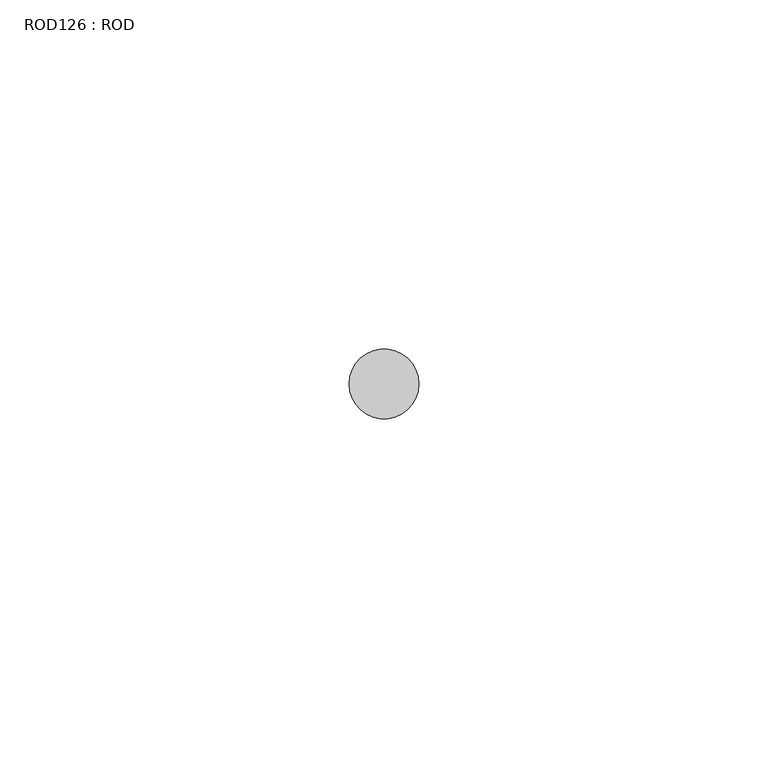
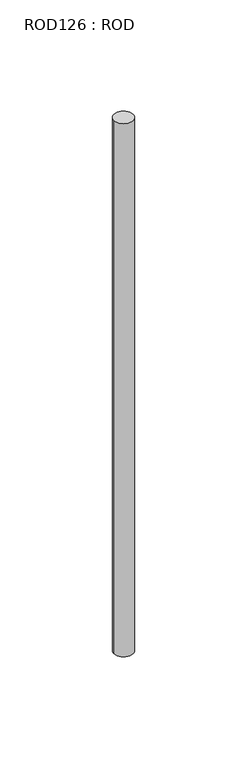
"""IFC4 building model written with IfcOpenShell, lengths in millimetres: proxy geometry, ROD126 : ROD."""

import ifcopenshell
import ifcopenshell.guid

model = None  # the IFC model being written
_history = None  # IfcOwnerHistory: only IFC2X3 demands one
_inside = {}  # id of a spatial element -> (the spatial element, [elements in it])
_under = {}  # id of a project, library or spatial element -> (it, [spatial elements below it])
_declared = {}  # id of a project -> (the project, [libraries it declares])
_typed = {}  # id of a type object -> (the type object, [elements of that type])
_made_of = {}  # id of a material, layer set ... -> (it, [elements and type objects made of it])


def new_model(schema):
    """Start an empty IFC model of exactly this schema.

    Asked for "IFC4X3", IfcOpenShell would pick the latest addendum, in which some entities
    have other attributes; the version numbers below select the first issue.
    IFC2X3 requires an IfcOwnerHistory on every rooted entity: one is made here for all.
    """
    global model, _history
    if schema == "IFC4X3":
        model = ifcopenshell.file(schema_version=(4, 3, 0, 0))
    else:
        model = ifcopenshell.file(schema=schema)
    _inside.clear()
    _under.clear()
    _declared.clear()
    _typed.clear()
    _made_of.clear()
    _history = None
    if model.schema == "IFC2X3":
        org = make("IfcOrganization", Name="unknown")
        user = make(
            "IfcPersonAndOrganization",
            ThePerson=make("IfcPerson", FamilyName="unknown"),
            TheOrganization=org,
        )
        app = make(
            "IfcApplication",
            ApplicationDeveloper=org,
            Version="unknown",
            ApplicationFullName="unknown",
            ApplicationIdentifier="unknown",
        )
        _history = make(
            "IfcOwnerHistory",
            OwningUser=user,
            OwningApplication=app,
            ChangeAction="ADDED",
            CreationDate=0,
        )
    return model


def make(cls, **values):
    """One entity of the class cls with the attributes given. An attribute that is None is left unset."""
    return model.create_entity(
        cls, **{name: value for name, value in values.items() if value is not None}
    )


def rooted(cls, **values):
    """An entity with a GlobalId (a new one), such as an element, a storey or a relation."""
    return make(cls, GlobalId=ifcopenshell.guid.new(), OwnerHistory=_history, **values)


def si_unit(unit_type, name, prefix=None):
    """IfcSIUnit, for example si_unit("LENGTHUNIT", "METRE", prefix="MILLI")."""
    return make("IfcSIUnit", UnitType=unit_type, Prefix=prefix, Name=name)


def assignment(units):
    """IfcUnitAssignment: the units of a project."""
    return None if units is None else make("IfcUnitAssignment", Units=units)


def point(xyz):
    """IfcCartesianPoint."""
    return None if xyz is None else make("IfcCartesianPoint", Coordinates=xyz)


def direction(xyz):
    """IfcDirection."""
    return None if xyz is None else make("IfcDirection", DirectionRatios=xyz)


def frame(location, z_axis=None, x_axis=None):
    """IfcAxis2Placement3D, a coordinate frame: its origin and axes. An axis left out is left unset."""
    return make(
        "IfcAxis2Placement3D",
        Location=point(location),
        Axis=direction(z_axis),
        RefDirection=direction(x_axis),
    )


def frame_2d(location, x_axis=None):
    """IfcAxis2Placement2D, a coordinate frame in the plane: its origin and x axis."""
    return make(
        "IfcAxis2Placement2D", Location=point(location), RefDirection=direction(x_axis)
    )


def origin():
    """The frame at (0, 0, 0) with its axes left unset."""
    return frame((0.0, 0.0, 0.0))


def place(relative_to, where):
    """IfcLocalPlacement: puts the frame where relative to a parent placement (None: the world)."""
    return make(
        "IfcLocalPlacement", PlacementRelTo=relative_to, RelativePlacement=where
    )


def context(
    kind, dimensions, precision=None, world=None, true_north=None, identifier=None
):
    """IfcGeometricRepresentationContext, for example the 3D "Model" context."""
    return make(
        "IfcGeometricRepresentationContext",
        ContextIdentifier=identifier,
        ContextType=kind,
        CoordinateSpaceDimension=dimensions,
        Precision=precision,
        WorldCoordinateSystem=world,
        TrueNorth=true_north,
    )


def project(units=None, contexts=None):
    """IfcProject with its units and contexts."""
    return rooted(
        "IfcProject",
        Name="project",
        RepresentationContexts=contexts,
        UnitsInContext=assignment(units),
    )


def spatial(cls, under=None, at=None, **own):
    """A site, building, storey or space (cls), placed at a placement, below another one or the project."""
    s = rooted(cls, ObjectPlacement=at, **own)
    if under is not None:
        _under.setdefault(under.id(), (under, []))[1].append(s)
    return s


def circle_curve(where, radius):
    """IfcCircle in the frame where."""
    return make("IfcCircle", Position=where, Radius=radius)


def trimmed(basis, trim1, trim2, sense, master):
    """IfcTrimmedCurve: the piece of a basis curve between two trims."""
    return make(
        "IfcTrimmedCurve",
        BasisCurve=basis,
        Trim1=trim1,
        Trim2=trim2,
        SenseAgreement=sense,
        MasterRepresentation=master,
    )


def segment(curve, same_sense, transition):
    """IfcCompositeCurveSegment."""
    return make(
        "IfcCompositeCurveSegment",
        Transition=transition,
        SameSense=same_sense,
        ParentCurve=curve,
    )


def composite_curve(segments, self_intersect=None):
    """IfcCompositeCurve: segments joined end to end."""
    return make("IfcCompositeCurve", Segments=segments, SelfIntersect=self_intersect)


def outline(outer, holes=None, kind="AREA"):
    """IfcArbitraryClosedProfileDef: a profile drawn as a closed curve; with holes, ...WithVoids."""
    if holes is None:
        return make("IfcArbitraryClosedProfileDef", ProfileType=kind, OuterCurve=outer)
    return make(
        "IfcArbitraryProfileDefWithVoids",
        ProfileType=kind,
        OuterCurve=outer,
        InnerCurves=holes,
    )


def extrude(swept, where, along, depth):
    """IfcExtrudedAreaSolid: the profile swept, set in the frame where, extruded along a direction by depth."""
    return make(
        "IfcExtrudedAreaSolid",
        SweptArea=swept,
        Position=where,
        ExtrudedDirection=direction(along),
        Depth=depth,
    )


def shape(context_of_items, identifier, shape_type, items):
    """IfcShapeRepresentation: the items that make up one representation, for example the "Body"."""
    return make(
        "IfcShapeRepresentation",
        ContextOfItems=context_of_items,
        RepresentationIdentifier=identifier,
        RepresentationType=shape_type,
        Items=items,
    )


def source(mapping_origin, context_of_items, identifier, shape_type, items):
    """IfcRepresentationMap: a shape defined once, which mapped items show again and again."""
    return make(
        "IfcRepresentationMap",
        MappingOrigin=mapping_origin,
        MappedRepresentation=shape(context_of_items, identifier, shape_type, items),
    )


def transform(
    local_origin,
    x_axis=None,
    y_axis=None,
    z_axis=None,
    scale=None,
    scale2=None,
    scale3=None,
    uniform=True,
):
    """IfcCartesianTransformationOperator3D, or its non-uniform kind. x_axis, y_axis, z_axis: its Axis1, 2, 3."""
    if uniform:
        return make(
            "IfcCartesianTransformationOperator3D",
            Axis1=direction(x_axis),
            Axis2=direction(y_axis),
            LocalOrigin=point(local_origin),
            Scale=scale,
            Axis3=direction(z_axis),
        )
    return make(
        "IfcCartesianTransformationOperator3DnonUniform",
        Axis1=direction(x_axis),
        Axis2=direction(y_axis),
        LocalOrigin=point(local_origin),
        Scale=scale,
        Axis3=direction(z_axis),
        Scale2=scale2,
        Scale3=scale3,
    )


def mapped(mapping_source, mapping_target):
    """IfcMappedItem: shows the shape of a source again, moved by a transform."""
    return make(
        "IfcMappedItem", MappingSource=mapping_source, MappingTarget=mapping_target
    )


def made_of(thing, what):
    """Note that an element or type object is made of a material, layer set ...; save() writes the relation."""
    if what is not None:
        _made_of.setdefault(what.id(), (what, []))[1].append(thing)
    return thing


def element(
    cls,
    number,
    at=None,
    inside=None,
    cuts=None,
    type_object=None,
    material=None,
    context=None,
    identifier="Body",
    shape_type=None,
    held_by="IfcProductDefinitionShape",
    body=None,
    shapes=None,
    **own,
):
    """One element of the class cls, such as IfcWall. Its Tag is "e" and its number.

    at: its placement. inside: the storey or other place that contains it. cuts: it is an
    opening in that element (IfcRelVoidsElement). A single representation is given by context,
    identifier, shape_type and body (its items); several are given by shapes. held_by: the class
    of the entity that holds the representations. save() writes the other relations.
    """
    e = rooted(cls, Tag="e%d" % number, ObjectPlacement=at, **own)
    if body is not None:
        shapes = [shape(context, identifier, shape_type, body)]
    if shapes is not None:
        e.Representation = make(held_by, Representations=shapes)
    if inside is not None:
        _inside.setdefault(inside.id(), (inside, []))[1].append(e)
    if cuts is not None:
        rooted(
            "IfcRelVoidsElement", RelatingBuildingElement=cuts, RelatedOpeningElement=e
        )
    if type_object is not None:
        _typed.setdefault(type_object.id(), (type_object, []))[1].append(e)
    return made_of(e, material)


def aggregate(whole, parts):
    """IfcRelAggregates: a whole, such as a stair, and the parts it consists of."""
    return rooted("IfcRelAggregates", RelatingObject=whole, RelatedObjects=parts)


def save(model, path):
    """Write the relations noted so far, then the file.

    IfcRelAggregates (storeys below a building ...), IfcRelContainedInSpatialStructure (elements
    in a storey), IfcRelDefinesByType, IfcRelAssociatesMaterial and IfcRelDeclares: one each for
    every whole, place, type object, material and project.
    """
    for whole, parts in _under.values():
        aggregate(whole, parts)
    for where, things in _inside.values():
        rooted(
            "IfcRelContainedInSpatialStructure",
            RelatedElements=things,
            RelatingStructure=where,
        )
    for kind, things in _typed.values():
        rooted("IfcRelDefinesByType", RelatedObjects=things, RelatingType=kind)
    for what, things in _made_of.values():
        rooted("IfcRelAssociatesMaterial", RelatedObjects=things, RelatingMaterial=what)
    for by, libraries in _declared.values():
        rooted("IfcRelDeclares", RelatingContext=by, RelatedDefinitions=libraries)
    model.write(path)


def rod126_rod_27f52747(model_context):
    return source(origin(), model_context, "Body", "SweptSolid", [
        extrude(outline(composite_curve([segment(trimmed(circle_curve(frame_2d((1879.7673324, -12414.6300853)), 5.0), [point((1874.7673324, -12414.6300853))], [point((1884.7673324, -12414.6300853))], False, "CARTESIAN"), True, "CONTINUOUS"), segment(trimmed(circle_curve(frame_2d((1879.7673324, -12414.6300853)), 5.0), [point((1884.7673324, -12414.6300853))], [point((1874.7673324, -12414.6300853))], False, "CARTESIAN"), True, "CONTINUOUS")], self_intersect=False)), frame((0.0, 0.0, -208.6608845), z_axis=(0.0, 0.0, 1.0), x_axis=(1.0, 0.0, 0.0)), (0.0, 0.0, 1.0), 298.9028972),
    ])


if __name__ == "__main__":
    model = new_model("IFC4")
    model_context = context("Model", 3, world=origin())
    ifc_project = project(units=[si_unit("LENGTHUNIT", "METRE", prefix="MILLI")], contexts=[model_context])
    site = spatial("IfcSite", under=ifc_project)
    building = spatial("IfcBuilding", under=site)
    placement = place(None, origin())
    rod126_rod_shape = rod126_rod_27f52747(model_context)
    element("IfcBuildingElementProxy", 1, Name="ROD126 : ROD", ObjectType="ROD126 : ROD", at=placement, inside=building, context=model_context, shape_type="MappedRepresentation", body=[
        mapped(rod126_rod_shape, transform((0.0, 0.0, 0.0), x_axis=(1.0, 0.0, 0.0), y_axis=(0.0, 1.0, 0.0), z_axis=(0.0, 0.0, 1.0))),
    ])
    save(model, "model.ifc")
